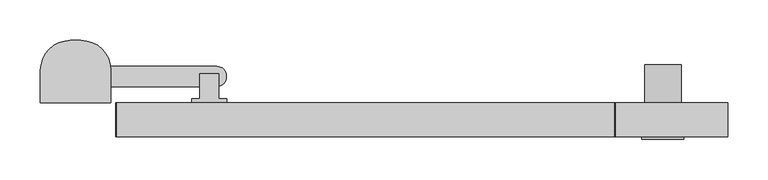
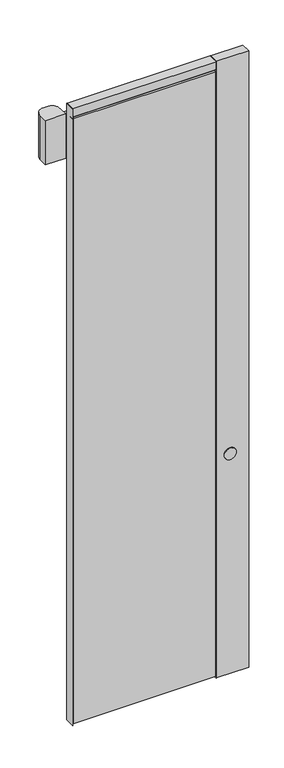
"""IFC4 building model written with IfcOpenShell, lengths in millimetres: proxy geometry."""

from ifc_helpers import new_model, si_unit, point, frame, frame_2d, origin, origin_with_axes, place, context, project, spatial, polyline, circle_curve, trimmed, segment, composite_curve, outline, extrude, source, transform, mapped, element, save


def specialty_equipment_a21b8913(model_context):
    return source(origin(), model_context, "Body", "SweptSolid", [
        extrude(outline(polyline([(-268.312138, 42.0), (-311.312138, 42.0), (-311.312138, 47.0), (-301.312138, 47.0), (-301.312138, 77.9983508), (-278.312138, 77.9983508), (-278.312138, 47.0), (-268.312138, 47.0), (-268.312138, 42.0)])), frame((0.0, 0.0, 2731.5), z_axis=(0.0, 0.0, 1.0), x_axis=(1.0, 0.0, 0.0)), (0.0, 0.0, 1.0), 18.0),
        extrude(outline(composite_curve([segment(trimmed(circle_curve(frame_2d((-448.5, 82.0)), 37.0), [point((-411.5, 82.0))], [point((-411.8393944, 87.0))], True, "CARTESIAN"), True, "CONTINUOUS"), segment(polyline([(-411.8393944, 87.0), (-280.5, 87.0)]), True, "CONTINUOUS"), segment(trimmed(circle_curve(frame_2d((-280.5, 75.0)), 12.0), [point((-280.5, 87.0))], [point((-268.5, 75.0))], False, "CARTESIAN"), True, "CONTINUOUS"), segment(polyline([(-268.5, 75.0), (-268.5, 74.0)]), True, "CONTINUOUS"), segment(trimmed(circle_curve(frame_2d((-280.5, 74.0)), 12.0), [point((-268.5, 74.0))], [point((-280.5, 62.0))], False, "CARTESIAN"), True, "CONTINUOUS"), segment(polyline([(-280.5, 62.0), (-411.5, 62.0), (-411.5, 82.0)]), True, "CONTINUOUS")], self_intersect=False)), frame((0.0, 0.0, 2721.5), z_axis=(0.0, 0.0, 1.0), x_axis=(1.0, 0.0, 0.0)), (0.0, 0.0, 1.0), 10.0),
        extrude(outline(composite_curve([segment(polyline([(-411.5, 42.0), (-498.5, 42.0), (-498.5, 82.0)]), True, "CONTINUOUS"), segment(trimmed(circle_curve(frame_2d((-461.5, 82.0)), 37.0), [point((-498.5, 82.0))], [point((-461.5, 119.0))], False, "CARTESIAN"), True, "CONTINUOUS"), segment(polyline([(-461.5, 119.0), (-448.5, 119.0)]), True, "CONTINUOUS"), segment(trimmed(circle_curve(frame_2d((-448.5, 82.0)), 37.0), [point((-448.5, 119.0))], [point((-411.5, 82.0))], False, "CARTESIAN"), True, "CONTINUOUS"), segment(polyline([(-411.5, 82.0), (-411.5, 42.0)]), True, "CONTINUOUS")], self_intersect=False)), frame((0.0, 0.0, 2554.5), z_axis=(0.0, 0.0, 1.0), x_axis=(1.0, 0.0, 0.0)), (0.0, 0.0, 1.0), 200.0),
        extrude(outline(polyline([(211.0, 0.0), (-404.0, 0.0), (-404.0, 42.0), (211.0, 42.0), (211.0, 0.0)])), frame((0.0, 0.0, 2762.0), z_axis=(0.0, 0.0, 1.0), x_axis=(1.0, 0.0, 0.0)), (0.0, 0.0, 1.0), 1.3),
        extrude(outline(polyline([(211.0, 0.0), (-404.0, 0.0), (-404.0, 42.0), (211.0, 42.0), (211.0, 0.0)])), frame((0.0, 0.0, 2763.3), z_axis=(0.0, 0.0, 1.0), x_axis=(1.0, 0.0, 0.0)), (0.0, 0.0, 1.0), 36.7),
        extrude(outline(polyline([(-402.7, 42.0), (-402.7, 0.0), (-404.0, 0.0), (-404.0, 42.0), (-402.7, 42.0)])), frame((0.0, 0.0, 7.5), z_axis=(0.0, 0.0, 1.0), x_axis=(1.0, 0.0, 0.0)), (0.0, 0.0, 1.0), 2747.0),
        extrude(outline(polyline([(209.7, 42.0), (211.0, 42.0), (211.0, 0.0), (209.7, 0.0), (209.7, 42.0)])), frame((0.0, 0.0, 7.5), z_axis=(0.0, 0.0, 1.0), x_axis=(1.0, 0.0, 0.0)), (0.0, 0.0, 1.0), 2747.0),
        extrude(outline(polyline([(209.7, 42.0), (209.7, 0.0), (-402.7, 0.0), (-402.7, 42.0), (209.7, 42.0)])), frame((0.0, 0.0, 7.5), z_axis=(0.0, 0.0, 1.0), x_axis=(1.0, 0.0, 0.0)), (0.0, 0.0, 1.0), 2747.0),
        extrude(outline(polyline([(-405.3, 42.0), (-404.0, 42.0), (-404.0, 0.0), (-405.3, 0.0), (-405.3, 42.0)])), origin_with_axes(), (0.0, 0.0, 1.0), 2800.0),
        extrude(outline(polyline([(212.3, 42.0), (212.3, 0.0), (211.0, 0.0), (211.0, 42.0), (212.3, 42.0)])), origin_with_axes(), (0.0, 0.0, 1.0), 2800.0),
        extrude(outline(composite_curve([segment(trimmed(circle_curve(frame_2d((1000.0, 271.0)), 22.5), [point((1000.0, 248.5))], [point((1000.0, 293.5))], False, "CARTESIAN"), True, "CONTINUOUS"), segment(trimmed(circle_curve(frame_2d((1000.0, 271.0)), 22.5), [point((1000.0, 293.5))], [point((1000.0, 248.5))], False, "CARTESIAN"), True, "CONTINUOUS")], self_intersect=False)), frame((0.0, 42.0, 0.0), z_axis=(0.0, 1.0, 0.0), x_axis=(0.0, 0.0, 1.0)), (0.0, 0.0, 1.0), 47.0),
        extrude(outline(composite_curve([segment(trimmed(circle_curve(frame_2d((1000.0, 271.0)), 26.0), [point((1000.0, 245.0))], [point((1000.0, 297.0))], False, "CARTESIAN"), True, "CONTINUOUS"), segment(trimmed(circle_curve(frame_2d((1000.0, 271.0)), 26.0), [point((1000.0, 297.0))], [point((1000.0, 245.0))], False, "CARTESIAN"), True, "CONTINUOUS")], self_intersect=False)), frame((0.0, -3.0, 0.0), z_axis=(0.0, 1.0, 0.0), x_axis=(0.0, 0.0, 1.0)), (0.0, 0.0, 1.0), 3.0),
        extrude(outline(polyline([(351.0, 0.0), (212.3, 0.0), (212.3, 42.0), (351.0, 42.0), (351.0, 0.0)])), origin_with_axes(), (0.0, 0.0, 1.0), 2800.0),
    ])


if __name__ == "__main__":
    model = new_model("IFC4")
    model_context = context("Model", 3, world=origin())
    ifc_project = project(units=[si_unit("LENGTHUNIT", "METRE", prefix="MILLI")], contexts=[model_context])
    site = spatial("IfcSite", under=ifc_project)
    building = spatial("IfcBuilding", under=site)
    placement = place(None, origin())
    specialty_equipment_shape = specialty_equipment_a21b8913(model_context)
    element("IfcBuildingElementProxy", 1, Name="Specialty Equipment", at=placement, inside=building, context=model_context, shape_type="MappedRepresentation", body=[
        mapped(specialty_equipment_shape, transform((0.0, 0.0, 0.0), x_axis=(1.0, 0.0, 0.0), y_axis=(0.0, 1.0, 0.0), z_axis=(0.0, 0.0, 1.0))),
    ])
    save(model, "model.ifc")
